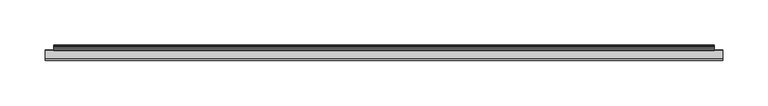
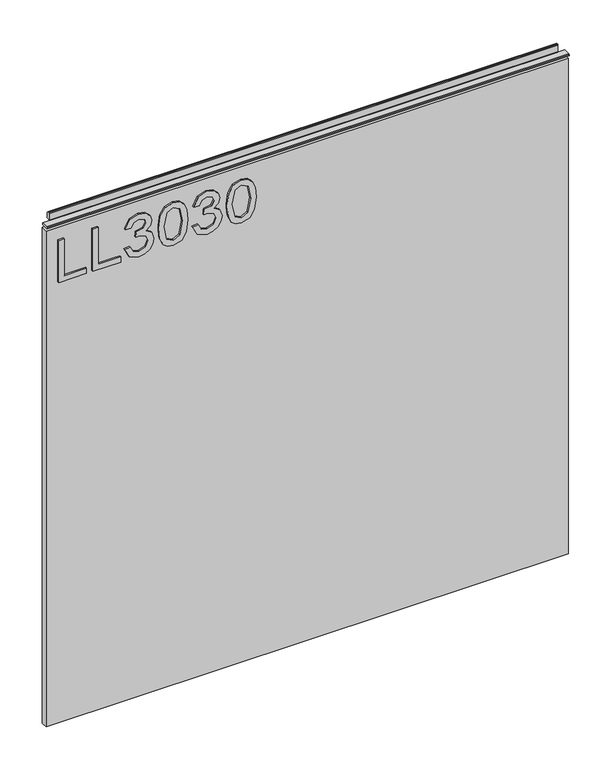
"""IFC4 building model written with IfcOpenShell, lengths in millimetres: furniture geometry."""

from ifc_helpers import new_model, si_unit, frame, origin, place, context, project, spatial, polyline, outline, extrude, source, transform, mapped, element, save


def furniture_7a8b6dac(model_context):
    return source(origin(), model_context, "Body", "SweptSolid", [
        extrude(outline(polyline([(773.5951, -281.6939953), (773.5951, -241.8253972), (781.5688196, -241.8253972), (781.5688196, -273.7202757), (837.3848569, -273.7202757), (837.3848569, -281.6939953), (773.5951, -281.6939953)])), frame((0.0, -5.4626842, 0.0), z_axis=(0.0, 1.0, 0.0), x_axis=(0.0, 0.0, 1.0)), (0.0, 0.0, 1.0), 2.38125),
        extrude(outline(polyline([(773.5951, -232.8549627), (773.5951, -192.9863646), (781.5688196, -192.9863646), (781.5688196, -224.8812431), (837.3848569, -224.8812431), (837.3848569, -232.8549627), (773.5951, -232.8549627)])), frame((0.0, -5.4626842, 0.0), z_axis=(0.0, 1.0, 0.0), x_axis=(0.0, 0.0, 1.0)), (0.0, 0.0, 1.0), 2.38125),
        extrude(outline(polyline([(790.5392542, -187.0060749), (777.5975335, -180.6675907), (772.598385, -166.682434), (774.0623101, -158.1597425), (778.4540854, -151.248926), (784.9483063, -146.6702666), (792.7195681, -145.1440469), (803.0916331, -148.1964864), (808.542418, -156.8865949), (813.8218925, -150.345653), (821.1726653, -148.1341917), (829.2164664, -150.4624556), (835.1967562, -157.1902815), (837.3848569, -166.8070234), (832.9463607, -179.4839917), (820.4407028, -186.0093599), (819.4439878, -178.0356403), (826.9193499, -174.1266488), (829.4111373, -166.5266973), (826.9427105, -159.0201878), (820.7054552, -156.1079113), (813.6661558, -160.1259185), (811.4702682, -170.4512625), (803.4965486, -171.3389617), (804.3686742, -165.7480138), (801.10599, -156.6841372), (792.8597312, -153.1177665), (784.107328, -156.7152845), (780.5721047, -166.402108), (783.1417604, -174.6327932), (791.5359691, -179.0323553), (790.5392542, -187.0060749)])), frame((0.0, -5.4626842, 0.0), z_axis=(0.0, 1.0, 0.0), x_axis=(0.0, 0.0, 1.0)), (0.0, 0.0, 1.0), 2.38125),
        extrude(outline(polyline([(804.9760473, -138.1670422), (789.4607775, -136.5785278), (778.6721168, -131.8129844), (774.116818, -125.5212213), (772.598385, -117.2360282), (776.0946742, -105.5635617), (786.7003443, -98.6254912), (804.9760473, -96.3050142), (819.9657058, -97.7533656), (829.4033505, -101.4910467), (835.3291324, -107.9229729), (837.3848569, -117.2360282), (833.9119283, -128.8617737), (823.3296188, -135.8232047), (804.9760473, -138.1670422)]), holes=[polyline([(804.991621, -130.1933226), (825.1439514, -126.3310521), (829.4111373, -117.3294702), (824.5677256, -107.8918255), (804.991621, -104.2787338), (785.2052718, -108.0164149), (780.5721047, -117.2360282), (785.1896982, -126.4556415), (804.991621, -130.1933226)])]), frame((0.0, -5.4626842, 0.0), z_axis=(0.0, 1.0, 0.0), x_axis=(0.0, 0.0, 1.0)), (0.0, 0.0, 1.0), 2.38125),
        extrude(outline(polyline([(790.5392542, -89.3280095), (777.5975335, -82.9895254), (772.598385, -69.0043687), (774.0623101, -60.4816772), (778.4540854, -53.5708606), (784.9483063, -48.9922013), (792.7195681, -47.4659816), (803.0916331, -50.5184211), (808.542418, -59.2085296), (813.8218925, -52.6675877), (821.1726653, -50.4561264), (829.2164664, -52.7843902), (835.1967562, -59.5122162), (837.3848569, -69.1289581), (832.9463607, -81.8059264), (820.4407028, -88.3312946), (819.4439878, -80.357575), (826.9193499, -76.4485835), (829.4111373, -68.848632), (826.9427105, -61.3421225), (820.7054552, -58.429846), (813.6661558, -62.4478532), (811.4702682, -72.7731971), (803.4965486, -73.6608964), (804.3686742, -68.0699485), (801.10599, -59.0060719), (792.8597312, -55.4397012), (784.107328, -59.0372192), (780.5721047, -68.7240426), (783.1417604, -76.9547278), (791.5359691, -81.3542899), (790.5392542, -89.3280095)])), frame((0.0, -5.4626842, 0.0), z_axis=(0.0, 1.0, 0.0), x_axis=(0.0, 0.0, 1.0)), (0.0, 0.0, 1.0), 2.38125),
        extrude(outline(polyline([(804.9760473, -40.4889769), (789.4607775, -38.9004624), (778.6721168, -34.1349191), (774.116818, -27.8431559), (772.598385, -19.5579629), (776.0946742, -7.8854964), (786.7003443, -0.9474259), (804.9760473, 1.3730511), (819.9657058, -0.0753003), (829.4033505, -3.8129814), (835.3291324, -10.2449076), (837.3848569, -19.5579629), (833.9119283, -31.1837084), (823.3296188, -38.1451394), (804.9760473, -40.4889769)]), holes=[polyline([(804.991621, -32.5152573), (825.1439514, -28.6529868), (829.4111373, -19.6514049), (824.5677256, -10.2137602), (804.991621, -6.6006685), (785.2052718, -10.3383496), (780.5721047, -19.5579629), (785.1896982, -28.7775762), (804.991621, -32.5152573)])]), frame((0.0, -5.4626842, 0.0), z_axis=(0.0, 1.0, 0.0), x_axis=(0.0, 0.0, 1.0)), (0.0, 0.0, 1.0), 2.38125),
        extrude(outline(polyline([(5.5562561, 863.5873), (6.3500061, 863.5873), (6.3500061, 873.46155), (7.1437561, 874.2553), (8.6677569, 874.2553), (10.0084363, 873.8379926), (10.875413, 872.7334816), (10.9623604, 871.3320591), (10.2390011, 868.3736459), (10.4046103, 867.1706307), (11.6746103, 864.9709103), (10.7786383, 864.4536244), (7.1437561, 864.4536244), (7.1437561, 863.5873), (6.3500061, 863.3542239), (6.3500061, 856.1451), (5.5562561, 856.1451), (5.5562561, 863.5873)])), frame((-288.671, 0.0, 0.0), z_axis=(1.0, 0.0, 0.0), x_axis=(0.0, 1.0, 0.0)), (0.0, 0.0, 1.0), 729.742),
        extrude(outline(polyline([(5.5562561, 863.5873), (5.5562561, 860.4122996), (-3.975094, 860.4122996), (-5.3492339, 861.2056657), (-5.3492339, 862.7939395), (-3.9751037, 863.5873), (5.5562561, 863.5873)])), frame((-298.196, 0.0, 0.0), z_axis=(1.0, 0.0, 0.0), x_axis=(0.0, 1.0, 0.0)), (0.0, 0.0, 1.0), 748.792),
        extrude(outline(polyline([(450.596, 6.3500061), (450.596, -3.1749939), (-298.196, -3.1749939), (-298.196, 6.3500061), (450.596, 6.3500061)])), frame((0.0, 0.0, 104.68356), z_axis=(0.0, 0.0, 1.0), x_axis=(1.0, 0.0, 0.0)), (0.0, 0.0, 1.0), 751.46154),
    ])


if __name__ == "__main__":
    model = new_model("IFC4")
    model_context = context("Model", 3, world=origin())
    ifc_project = project(units=[si_unit("LENGTHUNIT", "METRE", prefix="MILLI")], contexts=[model_context])
    site = spatial("IfcSite", under=ifc_project)
    building = spatial("IfcBuilding", under=site)
    placement = place(None, origin())
    furniture_shape = furniture_7a8b6dac(model_context)
    element("IfcFurniture", 1, at=placement, inside=building, context=model_context, shape_type="MappedRepresentation", body=[
        mapped(furniture_shape, transform((0.0, 0.0, 0.0), x_axis=(1.0, 0.0, 0.0), y_axis=(0.0, 1.0, 0.0), z_axis=(0.0, 0.0, 1.0))),
    ])
    save(model, "model.ifc")
